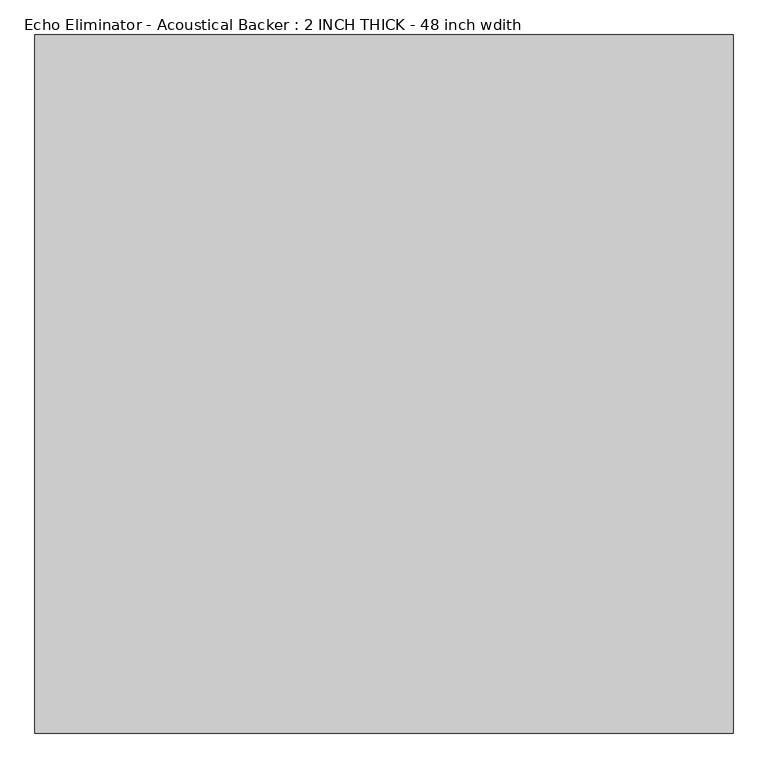
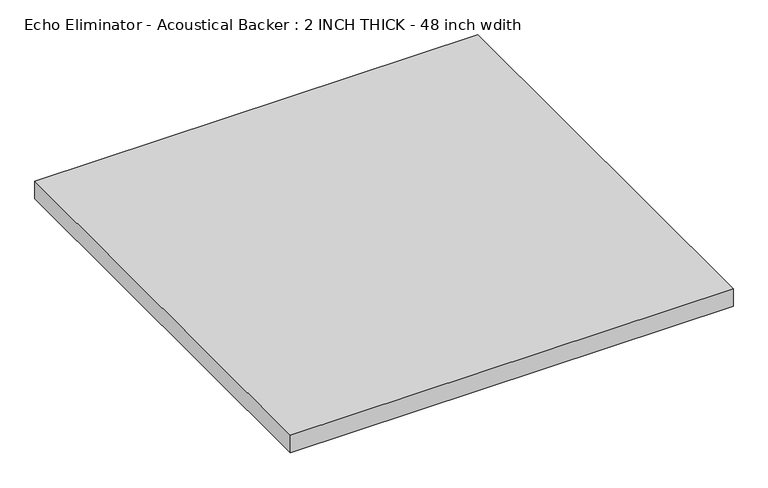
"""IFC4 building model written with IfcOpenShell, lengths in millimetres: proxy geometry, Echo Eliminator - Acoustical Backer : 2 INCH THICK - 48 inch wdith."""

from ifc_helpers import new_model, si_unit, origin, origin_with_axes, place, context, project, spatial, polyline, outline, extrude, source, transform, mapped, element, save


def echo_eliminator_acoustical_backer_2_inch_thick_48_inch_wdith_2eef9029(model_context):
    return source(origin(), model_context, "Body", "SweptSolid", [
        extrude(outline(polyline([(-609.6, 609.6), (609.6, 609.6), (609.6, -609.6), (-609.6, -609.6), (-609.6, 609.6)])), origin_with_axes(), (0.0, 0.0, 1.0), 50.8),
    ])


if __name__ == "__main__":
    model = new_model("IFC4")
    model_context = context("Model", 3, world=origin())
    ifc_project = project(units=[si_unit("LENGTHUNIT", "METRE", prefix="MILLI")], contexts=[model_context])
    site = spatial("IfcSite", under=ifc_project)
    building = spatial("IfcBuilding", under=site)
    placement = place(None, origin())
    echo_eliminator_acoustical_backer_2_inch_thick_48_inch_wdith_shape = echo_eliminator_acoustical_backer_2_inch_thick_48_inch_wdith_2eef9029(model_context)
    element("IfcBuildingElementProxy", 1, Name="Echo Eliminator - Acoustical Backer : 2 INCH THICK - 48 inch wdith", ObjectType="Echo Eliminator - Acoustical Backer : 2 INCH THICK - 48 inch wdith", at=placement, inside=building, context=model_context, shape_type="MappedRepresentation", body=[
        mapped(echo_eliminator_acoustical_backer_2_inch_thick_48_inch_wdith_shape, transform((0.0, 0.0, 0.0), x_axis=(1.0, 0.0, 0.0), y_axis=(0.0, 1.0, 0.0), z_axis=(0.0, 0.0, 1.0))),
    ])
    save(model, "model.ifc")
